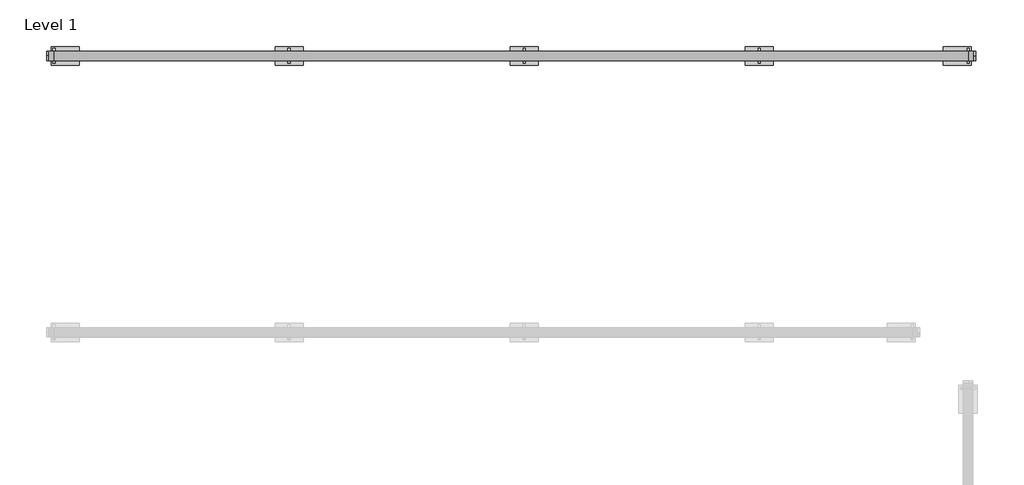
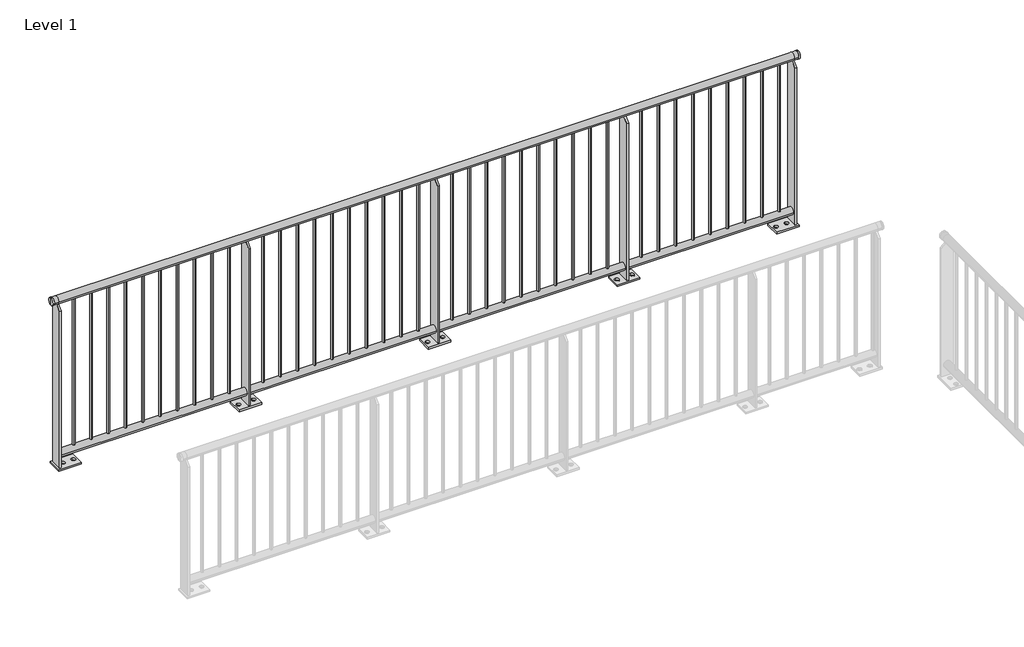
# One storey, part 3 of 20: 1 railing.
"""IFC4 building model written with IfcOpenShell, lengths in millimetres."""

import ifcopenshell
import ifcopenshell.guid

model = None  # the IFC model being written
_history = None  # IfcOwnerHistory: only IFC2X3 demands one
_inside = {}  # id of a spatial element -> (the spatial element, [elements in it])
_under = {}  # id of a project, library or spatial element -> (it, [spatial elements below it])
_declared = {}  # id of a project -> (the project, [libraries it declares])
_typed = {}  # id of a type object -> (the type object, [elements of that type])
_made_of = {}  # id of a material, layer set ... -> (it, [elements and type objects made of it])


def new_model(schema):
    """Start an empty IFC model of exactly this schema.

    Asked for "IFC4X3", IfcOpenShell would pick the latest addendum, in which some entities
    have other attributes; the version numbers below select the first issue.
    IFC2X3 requires an IfcOwnerHistory on every rooted entity: one is made here for all.
    """
    global model, _history
    if schema == "IFC4X3":
        model = ifcopenshell.file(schema_version=(4, 3, 0, 0))
    else:
        model = ifcopenshell.file(schema=schema)
    _inside.clear()
    _under.clear()
    _declared.clear()
    _typed.clear()
    _made_of.clear()
    _history = None
    if model.schema == "IFC2X3":
        org = make("IfcOrganization", Name="unknown")
        user = make(
            "IfcPersonAndOrganization",
            ThePerson=make("IfcPerson", FamilyName="unknown"),
            TheOrganization=org,
        )
        app = make(
            "IfcApplication",
            ApplicationDeveloper=org,
            Version="unknown",
            ApplicationFullName="unknown",
            ApplicationIdentifier="unknown",
        )
        _history = make(
            "IfcOwnerHistory",
            OwningUser=user,
            OwningApplication=app,
            ChangeAction="ADDED",
            CreationDate=0,
        )
    return model


def make(cls, **values):
    """One entity of the class cls with the attributes given. An attribute that is None is left unset."""
    return model.create_entity(
        cls, **{name: value for name, value in values.items() if value is not None}
    )


def rooted(cls, **values):
    """An entity with a GlobalId (a new one), such as an element, a storey or a relation."""
    return make(cls, GlobalId=ifcopenshell.guid.new(), OwnerHistory=_history, **values)


def si_unit(unit_type, name, prefix=None):
    """IfcSIUnit, for example si_unit("LENGTHUNIT", "METRE", prefix="MILLI")."""
    return make("IfcSIUnit", UnitType=unit_type, Prefix=prefix, Name=name)


def assignment(units):
    """IfcUnitAssignment: the units of a project."""
    return None if units is None else make("IfcUnitAssignment", Units=units)


def point(xyz):
    """IfcCartesianPoint."""
    return None if xyz is None else make("IfcCartesianPoint", Coordinates=xyz)


def direction(xyz):
    """IfcDirection."""
    return None if xyz is None else make("IfcDirection", DirectionRatios=xyz)


def frame(location, z_axis=None, x_axis=None):
    """IfcAxis2Placement3D, a coordinate frame: its origin and axes. An axis left out is left unset."""
    return make(
        "IfcAxis2Placement3D",
        Location=point(location),
        Axis=direction(z_axis),
        RefDirection=direction(x_axis),
    )


def frame_2d(location, x_axis=None):
    """IfcAxis2Placement2D, a coordinate frame in the plane: its origin and x axis."""
    return make(
        "IfcAxis2Placement2D", Location=point(location), RefDirection=direction(x_axis)
    )


def origin():
    """The frame at (0, 0, 0) with its axes left unset."""
    return frame((0.0, 0.0, 0.0))


def origin_with_axes():
    """The frame at (0, 0, 0) with the z axis (0, 0, 1) and the x axis (1, 0, 0) written out."""
    return frame((0.0, 0.0, 0.0), z_axis=(0.0, 0.0, 1.0), x_axis=(1.0, 0.0, 0.0))


def place(relative_to, where):
    """IfcLocalPlacement: puts the frame where relative to a parent placement (None: the world)."""
    return make(
        "IfcLocalPlacement", PlacementRelTo=relative_to, RelativePlacement=where
    )


def context(
    kind, dimensions, precision=None, world=None, true_north=None, identifier=None
):
    """IfcGeometricRepresentationContext, for example the 3D "Model" context."""
    return make(
        "IfcGeometricRepresentationContext",
        ContextIdentifier=identifier,
        ContextType=kind,
        CoordinateSpaceDimension=dimensions,
        Precision=precision,
        WorldCoordinateSystem=world,
        TrueNorth=true_north,
    )


def project(units=None, contexts=None):
    """IfcProject with its units and contexts."""
    return rooted(
        "IfcProject",
        Name="project",
        RepresentationContexts=contexts,
        UnitsInContext=assignment(units),
    )


def spatial(cls, under=None, at=None, **own):
    """A site, building, storey or space (cls), placed at a placement, below another one or the project."""
    s = rooted(cls, ObjectPlacement=at, **own)
    if under is not None:
        _under.setdefault(under.id(), (under, []))[1].append(s)
    return s


def polyline(points):
    """IfcPolyline through the points."""
    return make("IfcPolyline", Points=[point(p) for p in points])


def circle_curve(where, radius):
    """IfcCircle in the frame where."""
    return make("IfcCircle", Position=where, Radius=radius)


def trimmed(basis, trim1, trim2, sense, master):
    """IfcTrimmedCurve: the piece of a basis curve between two trims."""
    return make(
        "IfcTrimmedCurve",
        BasisCurve=basis,
        Trim1=trim1,
        Trim2=trim2,
        SenseAgreement=sense,
        MasterRepresentation=master,
    )


def segment(curve, same_sense, transition):
    """IfcCompositeCurveSegment."""
    return make(
        "IfcCompositeCurveSegment",
        Transition=transition,
        SameSense=same_sense,
        ParentCurve=curve,
    )


def composite_curve(segments, self_intersect=None):
    """IfcCompositeCurve: segments joined end to end."""
    return make("IfcCompositeCurve", Segments=segments, SelfIntersect=self_intersect)


def outline(outer, holes=None, kind="AREA"):
    """IfcArbitraryClosedProfileDef: a profile drawn as a closed curve; with holes, ...WithVoids."""
    if holes is None:
        return make("IfcArbitraryClosedProfileDef", ProfileType=kind, OuterCurve=outer)
    return make(
        "IfcArbitraryProfileDefWithVoids",
        ProfileType=kind,
        OuterCurve=outer,
        InnerCurves=holes,
    )


def extrude(swept, where, along, depth):
    """IfcExtrudedAreaSolid: the profile swept, set in the frame where, extruded along a direction by depth."""
    return make(
        "IfcExtrudedAreaSolid",
        SweptArea=swept,
        Position=where,
        ExtrudedDirection=direction(along),
        Depth=depth,
    )


def shape(context_of_items, identifier, shape_type, items):
    """IfcShapeRepresentation: the items that make up one representation, for example the "Body"."""
    return make(
        "IfcShapeRepresentation",
        ContextOfItems=context_of_items,
        RepresentationIdentifier=identifier,
        RepresentationType=shape_type,
        Items=items,
    )


def made_of(thing, what):
    """Note that an element or type object is made of a material, layer set ...; save() writes the relation."""
    if what is not None:
        _made_of.setdefault(what.id(), (what, []))[1].append(thing)
    return thing


def element(
    cls,
    number,
    at=None,
    inside=None,
    cuts=None,
    type_object=None,
    material=None,
    context=None,
    identifier="Body",
    shape_type=None,
    held_by="IfcProductDefinitionShape",
    body=None,
    shapes=None,
    **own,
):
    """One element of the class cls, such as IfcWall. Its Tag is "e" and its number.

    at: its placement. inside: the storey or other place that contains it. cuts: it is an
    opening in that element (IfcRelVoidsElement). A single representation is given by context,
    identifier, shape_type and body (its items); several are given by shapes. held_by: the class
    of the entity that holds the representations. save() writes the other relations.
    """
    e = rooted(cls, Tag="e%d" % number, ObjectPlacement=at, **own)
    if body is not None:
        shapes = [shape(context, identifier, shape_type, body)]
    if shapes is not None:
        e.Representation = make(held_by, Representations=shapes)
    if inside is not None:
        _inside.setdefault(inside.id(), (inside, []))[1].append(e)
    if cuts is not None:
        rooted(
            "IfcRelVoidsElement", RelatingBuildingElement=cuts, RelatedOpeningElement=e
        )
    if type_object is not None:
        _typed.setdefault(type_object.id(), (type_object, []))[1].append(e)
    return made_of(e, material)


def aggregate(whole, parts):
    """IfcRelAggregates: a whole, such as a stair, and the parts it consists of."""
    return rooted("IfcRelAggregates", RelatingObject=whole, RelatedObjects=parts)


def save(model, path):
    """Write the relations noted so far, then the file.

    IfcRelAggregates (storeys below a building ...), IfcRelContainedInSpatialStructure (elements
    in a storey), IfcRelDefinesByType, IfcRelAssociatesMaterial and IfcRelDeclares: one each for
    every whole, place, type object, material and project.
    """
    for whole, parts in _under.values():
        aggregate(whole, parts)
    for where, things in _inside.values():
        rooted(
            "IfcRelContainedInSpatialStructure",
            RelatedElements=things,
            RelatingStructure=where,
        )
    for kind, things in _typed.values():
        rooted("IfcRelDefinesByType", RelatedObjects=things, RelatingType=kind)
    for what, things in _made_of.values():
        rooted("IfcRelAssociatesMaterial", RelatedObjects=things, RelatingMaterial=what)
    for by, libraries in _declared.values():
        rooted("IfcRelDeclares", RelatingContext=by, RelatedDefinitions=libraries)
    model.write(path)


def plane_surface(at):
    """IfcPlane: the flat surface through the origin of the frame at, square to its z axis."""
    return make("IfcPlane", Position=at)


def cylinder_surface(at, radius):
    """IfcCylindricalSurface: all points at the distance radius from the z axis of the frame at."""
    return make("IfcCylindricalSurface", Position=at, Radius=radius)


def advanced_brep(points, edges, surfaces, faces):
    """IfcAdvancedBrep: a solid bounded by faces that lie on surfaces and meet in shared edges.

    An edge is (start, end): straight between two places in points (the first is 0);
    or (start, end, curve); or (start, end, curve, False) where it runs against its curve.
    A face is (place in surfaces, loops), or (place, loops, False) where it looks against
    its surface's normal. A loop lists edges by number (the first is 1), with a minus sign
    where the edge is run from its end to its start. The first loop is the outer one.
    """
    corners = [point(p) for p in points]
    vertices = [make("IfcVertexPoint", VertexGeometry=c) for c in corners]
    made = []
    for start, end, *more in edges:
        made.append(
            make(
                "IfcEdgeCurve",
                EdgeStart=vertices[start],
                EdgeEnd=vertices[end],
                EdgeGeometry=more[0] if more else make("IfcPolyline", Points=[corners[start], corners[end]]),
                SameSense=more[1] if len(more) > 1 else True,
            )
        )
    hull = []
    for where, loops, *sense in faces:
        bounds = []
        for j, loop in enumerate(loops):
            ring = [make("IfcOrientedEdge", EdgeElement=made[abs(k) - 1], Orientation=k > 0) for k in loop]
            bounds.append(
                make(
                    "IfcFaceOuterBound" if j == 0 else "IfcFaceBound",
                    Bound=make("IfcEdgeLoop", EdgeList=ring),
                    Orientation=True,
                )
            )
        hull.append(make("IfcAdvancedFace", Bounds=bounds, FaceSurface=surfaces[where], SameSense=sense[0] if sense else True))
    return make("IfcAdvancedBrep", Outer=make("IfcClosedShell", CfsFaces=hull))


model = new_model("IFC4")

# Units and contexts
model_context = context("Model", 3, world=origin())
ifc_project = project(units=[si_unit("LENGTHUNIT", "METRE", prefix="MILLI")], contexts=[model_context])

# Site, building, storey
site = spatial("IfcSite", under=ifc_project)
building = spatial("IfcBuilding", under=site)
storey = spatial("IfcBuildingStorey", under=building, Name="Level 1", Elevation=0.0)

# Railing
placement = place(None, origin())
element("IfcRailing", 1, at=placement, inside=storey, context=model_context, shape_type="SolidModel", body=[
    advanced_brep(
    [(7290.6479588, -11708.8795125, 1175.0), (7290.6479588, -11708.8795125, 1200.0), (7290.6479588, -11708.8795125, 1150.0), (7300.6479588, -11708.8795125, 1150.0), (7300.6479588, -11708.8795125, 1200.0), (7300.6479588, -11708.8795125, 1175.0)],
    [
        (0, 1),
        (1, 2, circle_curve(frame((7290.6479588, -11708.8795125, 1175.0), z_axis=(-1.0, 0.0, 0.0), x_axis=(0.0, 0.0, 1.0)), 25.0)),
        (2, 0),
        (2, 1, circle_curve(frame((7290.6479588, -11708.8795125, 1175.0), z_axis=(-1.0, 0.0, 0.0), x_axis=(0.0, 0.0, 1.0)), 25.0)),
        (3, 4, circle_curve(frame((7300.6479588, -11708.8795125, 1175.0), z_axis=(1.0, 0.0, 0.0), x_axis=(0.0, 0.0, 1.0)), 25.0)),
        (4, 5),
        (5, 3),
        (4, 3, circle_curve(frame((7300.6479588, -11708.8795125, 1175.0), z_axis=(1.0, 0.0, 0.0), x_axis=(0.0, 0.0, 1.0)), 25.0)),
        (1, 4),
        (3, 2),
    ],
    [
        plane_surface(frame((7290.6479588, -11708.8795125, 1175.0), z_axis=(-1.0, 0.0, 0.0), x_axis=(0.0, 0.0, 1.0))),
        plane_surface(frame((7300.6479588, -11708.8795125, 1175.0), z_axis=(1.0, 0.0, 0.0), x_axis=(0.0, 0.0, 1.0))),
        cylinder_surface(frame((7275.6479588, -11708.8795125, 1175.0), z_axis=(-1.0, 0.0, 0.0), x_axis=(0.0, 0.0, 1.0)), 25.0),
    ],
    [
        (0, [[1, 2, 3]]),
        (0, [[-3, 4, -1]]),
        (1, [[5, 6, 7]]),
        (1, [[8, -7, -6]]),
        (2, [[-2, 9, -5, 10]]),
        (2, [[-4, -10, -8, -9]]),
    ],
),
    advanced_brep(
    [(2330.6479588, -11708.8795125, 1175.0), (2330.6479588, -11708.8795125, 1200.0), (2330.6479588, -11708.8795125, 1150.0), (2320.6479588, -11708.8795125, 1150.0), (2320.6479588, -11708.8795125, 1200.0), (2320.6479588, -11708.8795125, 1175.0)],
    [
        (0, 1),
        (1, 2, circle_curve(frame((2330.6479588, -11708.8795125, 1175.0), z_axis=(1.0, 0.0, 0.0), x_axis=(0.0, 0.0, 1.0)), 25.0)),
        (2, 0),
        (2, 1, circle_curve(frame((2330.6479588, -11708.8795125, 1175.0), z_axis=(1.0, 0.0, 0.0), x_axis=(0.0, 0.0, 1.0)), 25.0)),
        (3, 4, circle_curve(frame((2320.6479588, -11708.8795125, 1175.0), z_axis=(-1.0, 0.0, 0.0), x_axis=(0.0, 0.0, 1.0)), 25.0)),
        (4, 5),
        (5, 3),
        (4, 3, circle_curve(frame((2320.6479588, -11708.8795125, 1175.0), z_axis=(-1.0, 0.0, 0.0), x_axis=(0.0, 0.0, 1.0)), 25.0)),
        (1, 4),
        (3, 2),
    ],
    [
        plane_surface(frame((2330.6479588, -11708.8795125, 1175.0), z_axis=(1.0, 0.0, 0.0), x_axis=(0.0, 0.0, 1.0))),
        plane_surface(frame((2320.6479588, -11708.8795125, 1175.0), z_axis=(-1.0, 0.0, 0.0), x_axis=(0.0, 0.0, 1.0))),
        cylinder_surface(frame((2345.6479588, -11708.8795125, 1175.0), z_axis=(1.0, 0.0, 0.0), x_axis=(0.0, 0.0, 1.0)), 25.0),
    ],
    [
        (0, [[1, 2, 3]]),
        (0, [[-3, 4, -1]]),
        (1, [[5, 6, 7]]),
        (1, [[8, -7, -6]]),
        (2, [[-2, 9, -5, 10]]),
        (2, [[-4, -10, -8, -9]]),
    ],
),
    advanced_brep(
    [(2360.6479588, -11683.8795125, 1175.0), (2360.6479588, -11733.8795125, 1175.0), (7260.6479588, -11733.8795125, 1175.0), (7260.6479588, -11683.8795125, 1175.0), (2330.6479588, -11733.8795125, 1175.0), (2330.6479588, -11683.8795125, 1175.0), (7290.6479588, -11733.8795125, 1175.0), (7290.6479588, -11683.8795125, 1175.0)],
    [
        (0, 1, circle_curve(frame((2360.6479588, -11708.8795125, 1175.0), z_axis=(1.0, 0.0, 0.0), x_axis=(0.0, 1.0, 0.0)), 25.0)),
        (1, 2),
        (2, 3, circle_curve(frame((7260.6479588, -11708.8795125, 1175.0), z_axis=(-1.0, 0.0, 0.0), x_axis=(0.0, 1.0, 0.0)), 25.0)),
        (3, 0),
        (1, 0, circle_curve(frame((2360.6479588, -11708.8795125, 1175.0), z_axis=(1.0, 0.0, 0.0), x_axis=(0.0, 1.0, 0.0)), 25.0)),
        (3, 2, circle_curve(frame((7260.6479588, -11708.8795125, 1175.0), z_axis=(-1.0, 0.0, 0.0), x_axis=(0.0, 1.0, 0.0)), 25.0)),
        (4, 5, circle_curve(frame((2330.6479588, -11708.8795125, 1175.0), z_axis=(-1.0, 0.0, 0.0), x_axis=(0.0, 1.0, 0.0)), 25.0)),
        (5, 4, circle_curve(frame((2330.6479588, -11708.8795125, 1175.0), z_axis=(-1.0, 0.0, 0.0), x_axis=(0.0, 1.0, 0.0)), 25.0)),
        (4, 1),
        (0, 5),
        (6, 7, circle_curve(frame((7290.6479588, -11708.8795125, 1175.0), z_axis=(1.0, 0.0, 0.0), x_axis=(0.0, 1.0, 0.0)), 25.0)),
        (7, 6, circle_curve(frame((7290.6479588, -11708.8795125, 1175.0), z_axis=(1.0, 0.0, 0.0), x_axis=(0.0, 1.0, 0.0)), 25.0)),
        (2, 6),
        (7, 3),
    ],
    [
        cylinder_surface(frame((2360.6479588, -11708.8795125, 1175.0), z_axis=(-1.0, 0.0, 0.0), x_axis=(0.0, 1.0, 0.0)), 25.0),
        plane_surface(frame((2330.6479588, -11708.8795125, 1200.0), z_axis=(-1.0, 0.0, 0.0), x_axis=(0.0, 1.0, 0.0))),
        cylinder_surface(frame((2330.6479588, -11708.8795125, 1175.0), z_axis=(-1.0, 0.0, 0.0), x_axis=(0.0, 1.0, 0.0)), 25.0),
        plane_surface(frame((7290.6479588, -11708.8795125, 1200.0), z_axis=(1.0, 0.0, 0.0), x_axis=(0.0, 1.0, 0.0))),
        cylinder_surface(frame((7260.6479588, -11708.8795125, 1175.0), z_axis=(-1.0, 0.0, 0.0), x_axis=(0.0, 1.0, 0.0)), 25.0),
    ],
    [
        (0, [[1, 2, 3, 4]]),
        (0, [[5, -4, 6, -2]]),
        (1, [[7, 8]]),
        (2, [[-7, 9, -1, 10]]),
        (2, [[-8, -10, -5, -9]]),
        (3, [[11, 12]]),
        (4, [[-3, 13, -12, 14]]),
        (4, [[-6, -14, -11, -13]]),
    ],
),
    extrude(outline(composite_curve([segment(trimmed(circle_curve(frame_2d((-11708.8795125, 90.0)), 25.0), [point((-11683.8795125, 90.0))], [point((-11733.8795125, 90.0))], False, "CARTESIAN"), True, "CONTINUOUS"), segment(trimmed(circle_curve(frame_2d((-11708.8795125, 90.0)), 25.0), [point((-11733.8795125, 90.0))], [point((-11683.8795125, 90.0))], False, "CARTESIAN"), True, "CONTINUOUS")], self_intersect=False)), frame((2360.6479588, 0.0, 0.0), z_axis=(1.0, 0.0, 0.0), x_axis=(0.0, 1.0, 0.0)), (0.0, 0.0, 1.0), 4900.0),
    extrude(outline(composite_curve([segment(trimmed(circle_curve(frame_2d((7173.1479588, -11708.8795125)), 7.5), [point((7173.1479588, -11701.3795125))], [point((7173.1479588, -11716.3795125))], False, "CARTESIAN"), True, "CONTINUOUS"), segment(trimmed(circle_curve(frame_2d((7173.1479588, -11708.8795125)), 7.5), [point((7173.1479588, -11716.3795125))], [point((7173.1479588, -11701.3795125))], False, "CARTESIAN"), True, "CONTINUOUS")], self_intersect=False)), frame((0.0, 0.0, 115.0), z_axis=(0.0, 0.0, 1.0), x_axis=(1.0, 0.0, 0.0)), (0.0, 0.0, 1.0), 1035.0),
    extrude(outline(composite_curve([segment(trimmed(circle_curve(frame_2d((7058.1479588, -11708.8795125)), 7.5), [point((7058.1479588, -11701.3795125))], [point((7058.1479588, -11716.3795125))], False, "CARTESIAN"), True, "CONTINUOUS"), segment(trimmed(circle_curve(frame_2d((7058.1479588, -11708.8795125)), 7.5), [point((7058.1479588, -11716.3795125))], [point((7058.1479588, -11701.3795125))], False, "CARTESIAN"), True, "CONTINUOUS")], self_intersect=False)), frame((0.0, 0.0, 115.0), z_axis=(0.0, 0.0, 1.0), x_axis=(1.0, 0.0, 0.0)), (0.0, 0.0, 1.0), 1035.0),
    extrude(outline(composite_curve([segment(trimmed(circle_curve(frame_2d((6943.1479588, -11708.8795125)), 7.5), [point((6943.1479588, -11701.3795125))], [point((6943.1479588, -11716.3795125))], False, "CARTESIAN"), True, "CONTINUOUS"), segment(trimmed(circle_curve(frame_2d((6943.1479588, -11708.8795125)), 7.5), [point((6943.1479588, -11716.3795125))], [point((6943.1479588, -11701.3795125))], False, "CARTESIAN"), True, "CONTINUOUS")], self_intersect=False)), frame((0.0, 0.0, 115.0), z_axis=(0.0, 0.0, 1.0), x_axis=(1.0, 0.0, 0.0)), (0.0, 0.0, 1.0), 1035.0),
    extrude(outline(composite_curve([segment(trimmed(circle_curve(frame_2d((6828.1479588, -11708.8795125)), 7.5), [point((6828.1479588, -11701.3795125))], [point((6828.1479588, -11716.3795125))], False, "CARTESIAN"), True, "CONTINUOUS"), segment(trimmed(circle_curve(frame_2d((6828.1479588, -11708.8795125)), 7.5), [point((6828.1479588, -11716.3795125))], [point((6828.1479588, -11701.3795125))], False, "CARTESIAN"), True, "CONTINUOUS")], self_intersect=False)), frame((0.0, 0.0, 115.0), z_axis=(0.0, 0.0, 1.0), x_axis=(1.0, 0.0, 0.0)), (0.0, 0.0, 1.0), 1035.0),
    extrude(outline(composite_curve([segment(trimmed(circle_curve(frame_2d((6713.1479588, -11708.8795125)), 7.5), [point((6713.1479588, -11701.3795125))], [point((6713.1479588, -11716.3795125))], False, "CARTESIAN"), True, "CONTINUOUS"), segment(trimmed(circle_curve(frame_2d((6713.1479588, -11708.8795125)), 7.5), [point((6713.1479588, -11716.3795125))], [point((6713.1479588, -11701.3795125))], False, "CARTESIAN"), True, "CONTINUOUS")], self_intersect=False)), frame((0.0, 0.0, 115.0), z_axis=(0.0, 0.0, 1.0), x_axis=(1.0, 0.0, 0.0)), (0.0, 0.0, 1.0), 1035.0),
    extrude(outline(composite_curve([segment(trimmed(circle_curve(frame_2d((6598.1479588, -11708.8795125)), 7.5), [point((6598.1479588, -11701.3795125))], [point((6598.1479588, -11716.3795125))], False, "CARTESIAN"), True, "CONTINUOUS"), segment(trimmed(circle_curve(frame_2d((6598.1479588, -11708.8795125)), 7.5), [point((6598.1479588, -11716.3795125))], [point((6598.1479588, -11701.3795125))], False, "CARTESIAN"), True, "CONTINUOUS")], self_intersect=False)), frame((0.0, 0.0, 115.0), z_axis=(0.0, 0.0, 1.0), x_axis=(1.0, 0.0, 0.0)), (0.0, 0.0, 1.0), 1035.0),
    extrude(outline(composite_curve([segment(trimmed(circle_curve(frame_2d((6483.1479588, -11708.8795125)), 7.5), [point((6483.1479588, -11701.3795125))], [point((6483.1479588, -11716.3795125))], False, "CARTESIAN"), True, "CONTINUOUS"), segment(trimmed(circle_curve(frame_2d((6483.1479588, -11708.8795125)), 7.5), [point((6483.1479588, -11716.3795125))], [point((6483.1479588, -11701.3795125))], False, "CARTESIAN"), True, "CONTINUOUS")], self_intersect=False)), frame((0.0, 0.0, 115.0), z_axis=(0.0, 0.0, 1.0), x_axis=(1.0, 0.0, 0.0)), (0.0, 0.0, 1.0), 1035.0),
    extrude(outline(composite_curve([segment(trimmed(circle_curve(frame_2d((6368.1479588, -11708.8795125)), 7.5), [point((6368.1479588, -11701.3795125))], [point((6368.1479588, -11716.3795125))], False, "CARTESIAN"), True, "CONTINUOUS"), segment(trimmed(circle_curve(frame_2d((6368.1479588, -11708.8795125)), 7.5), [point((6368.1479588, -11716.3795125))], [point((6368.1479588, -11701.3795125))], False, "CARTESIAN"), True, "CONTINUOUS")], self_intersect=False)), frame((0.0, 0.0, 115.0), z_axis=(0.0, 0.0, 1.0), x_axis=(1.0, 0.0, 0.0)), (0.0, 0.0, 1.0), 1035.0),
    extrude(outline(composite_curve([segment(trimmed(circle_curve(frame_2d((6253.1479588, -11708.8795125)), 7.5), [point((6253.1479588, -11701.3795125))], [point((6253.1479588, -11716.3795125))], False, "CARTESIAN"), True, "CONTINUOUS"), segment(trimmed(circle_curve(frame_2d((6253.1479588, -11708.8795125)), 7.5), [point((6253.1479588, -11716.3795125))], [point((6253.1479588, -11701.3795125))], False, "CARTESIAN"), True, "CONTINUOUS")], self_intersect=False)), frame((0.0, 0.0, 115.0), z_axis=(0.0, 0.0, 1.0), x_axis=(1.0, 0.0, 0.0)), (0.0, 0.0, 1.0), 1035.0),
    extrude(outline(polyline([(-11668.8795125, 12.0), (-11748.8795125, 12.0), (-11748.8795125, 1117.5), (-11716.3795125, 1150.0), (-11701.3795125, 1150.0), (-11668.8795125, 1117.5), (-11668.8795125, 12.0)])), frame((6134.6479588, 0.0, 0.0), z_axis=(1.0, 0.0, 0.0), x_axis=(0.0, 1.0, 0.0)), (0.0, 0.0, 1.0), 12.0),
    extrude(outline(polyline([(6065.6479588, -11658.8795125), (6215.6479588, -11658.8795125), (6215.6479588, -11758.8795125), (6065.6479588, -11758.8795125), (6065.6479588, -11658.8795125)]), holes=[composite_curve([segment(trimmed(circle_curve(frame_2d((6090.6479588, -11708.8795125)), 13.5), [point((6090.6479588, -11722.3795125))], [point((6090.6479588, -11695.3795125))], True, "CARTESIAN"), True, "CONTINUOUS"), segment(trimmed(circle_curve(frame_2d((6090.6479588, -11708.8795125)), 13.5), [point((6090.6479588, -11695.3795125))], [point((6090.6479588, -11722.3795125))], True, "CARTESIAN"), True, "CONTINUOUS")], self_intersect=False), composite_curve([segment(trimmed(circle_curve(frame_2d((6190.6479588, -11708.8795125)), 13.5), [point((6190.6479588, -11722.3795125))], [point((6190.6479588, -11695.3795125))], True, "CARTESIAN"), True, "CONTINUOUS"), segment(trimmed(circle_curve(frame_2d((6190.6479588, -11708.8795125)), 13.5), [point((6190.6479588, -11695.3795125))], [point((6190.6479588, -11722.3795125))], True, "CARTESIAN"), True, "CONTINUOUS")], self_intersect=False)]), origin_with_axes(), (0.0, 0.0, 1.0), 12.0),
    extrude(outline(composite_curve([segment(trimmed(circle_curve(frame_2d((6028.1479588, -11708.8795125)), 7.5), [point((6028.1479588, -11701.3795125))], [point((6028.1479588, -11716.3795125))], False, "CARTESIAN"), True, "CONTINUOUS"), segment(trimmed(circle_curve(frame_2d((6028.1479588, -11708.8795125)), 7.5), [point((6028.1479588, -11716.3795125))], [point((6028.1479588, -11701.3795125))], False, "CARTESIAN"), True, "CONTINUOUS")], self_intersect=False)), frame((0.0, 0.0, 115.0), z_axis=(0.0, 0.0, 1.0), x_axis=(1.0, 0.0, 0.0)), (0.0, 0.0, 1.0), 1035.0),
    extrude(outline(composite_curve([segment(trimmed(circle_curve(frame_2d((5913.1479588, -11708.8795125)), 7.5), [point((5913.1479588, -11701.3795125))], [point((5913.1479588, -11716.3795125))], False, "CARTESIAN"), True, "CONTINUOUS"), segment(trimmed(circle_curve(frame_2d((5913.1479588, -11708.8795125)), 7.5), [point((5913.1479588, -11716.3795125))], [point((5913.1479588, -11701.3795125))], False, "CARTESIAN"), True, "CONTINUOUS")], self_intersect=False)), frame((0.0, 0.0, 115.0), z_axis=(0.0, 0.0, 1.0), x_axis=(1.0, 0.0, 0.0)), (0.0, 0.0, 1.0), 1035.0),
    extrude(outline(composite_curve([segment(trimmed(circle_curve(frame_2d((5798.1479588, -11708.8795125)), 7.5), [point((5798.1479588, -11701.3795125))], [point((5798.1479588, -11716.3795125))], False, "CARTESIAN"), True, "CONTINUOUS"), segment(trimmed(circle_curve(frame_2d((5798.1479588, -11708.8795125)), 7.5), [point((5798.1479588, -11716.3795125))], [point((5798.1479588, -11701.3795125))], False, "CARTESIAN"), True, "CONTINUOUS")], self_intersect=False)), frame((0.0, 0.0, 115.0), z_axis=(0.0, 0.0, 1.0), x_axis=(1.0, 0.0, 0.0)), (0.0, 0.0, 1.0), 1035.0),
    extrude(outline(composite_curve([segment(trimmed(circle_curve(frame_2d((5683.1479588, -11708.8795125)), 7.5), [point((5683.1479588, -11701.3795125))], [point((5683.1479588, -11716.3795125))], False, "CARTESIAN"), True, "CONTINUOUS"), segment(trimmed(circle_curve(frame_2d((5683.1479588, -11708.8795125)), 7.5), [point((5683.1479588, -11716.3795125))], [point((5683.1479588, -11701.3795125))], False, "CARTESIAN"), True, "CONTINUOUS")], self_intersect=False)), frame((0.0, 0.0, 115.0), z_axis=(0.0, 0.0, 1.0), x_axis=(1.0, 0.0, 0.0)), (0.0, 0.0, 1.0), 1035.0),
    extrude(outline(composite_curve([segment(trimmed(circle_curve(frame_2d((5568.1479588, -11708.8795125)), 7.5), [point((5568.1479588, -11701.3795125))], [point((5568.1479588, -11716.3795125))], False, "CARTESIAN"), True, "CONTINUOUS"), segment(trimmed(circle_curve(frame_2d((5568.1479588, -11708.8795125)), 7.5), [point((5568.1479588, -11716.3795125))], [point((5568.1479588, -11701.3795125))], False, "CARTESIAN"), True, "CONTINUOUS")], self_intersect=False)), frame((0.0, 0.0, 115.0), z_axis=(0.0, 0.0, 1.0), x_axis=(1.0, 0.0, 0.0)), (0.0, 0.0, 1.0), 1035.0),
    extrude(outline(composite_curve([segment(trimmed(circle_curve(frame_2d((5453.1479588, -11708.8795125)), 7.5), [point((5453.1479588, -11701.3795125))], [point((5453.1479588, -11716.3795125))], False, "CARTESIAN"), True, "CONTINUOUS"), segment(trimmed(circle_curve(frame_2d((5453.1479588, -11708.8795125)), 7.5), [point((5453.1479588, -11716.3795125))], [point((5453.1479588, -11701.3795125))], False, "CARTESIAN"), True, "CONTINUOUS")], self_intersect=False)), frame((0.0, 0.0, 115.0), z_axis=(0.0, 0.0, 1.0), x_axis=(1.0, 0.0, 0.0)), (0.0, 0.0, 1.0), 1035.0),
    extrude(outline(composite_curve([segment(trimmed(circle_curve(frame_2d((5338.1479588, -11708.8795125)), 7.5), [point((5338.1479588, -11701.3795125))], [point((5338.1479588, -11716.3795125))], False, "CARTESIAN"), True, "CONTINUOUS"), segment(trimmed(circle_curve(frame_2d((5338.1479588, -11708.8795125)), 7.5), [point((5338.1479588, -11716.3795125))], [point((5338.1479588, -11701.3795125))], False, "CARTESIAN"), True, "CONTINUOUS")], self_intersect=False)), frame((0.0, 0.0, 115.0), z_axis=(0.0, 0.0, 1.0), x_axis=(1.0, 0.0, 0.0)), (0.0, 0.0, 1.0), 1035.0),
    extrude(outline(composite_curve([segment(trimmed(circle_curve(frame_2d((5223.1479588, -11708.8795125)), 7.5), [point((5223.1479588, -11701.3795125))], [point((5223.1479588, -11716.3795125))], False, "CARTESIAN"), True, "CONTINUOUS"), segment(trimmed(circle_curve(frame_2d((5223.1479588, -11708.8795125)), 7.5), [point((5223.1479588, -11716.3795125))], [point((5223.1479588, -11701.3795125))], False, "CARTESIAN"), True, "CONTINUOUS")], self_intersect=False)), frame((0.0, 0.0, 115.0), z_axis=(0.0, 0.0, 1.0), x_axis=(1.0, 0.0, 0.0)), (0.0, 0.0, 1.0), 1035.0),
    extrude(outline(composite_curve([segment(trimmed(circle_curve(frame_2d((5108.1479588, -11708.8795125)), 7.5), [point((5108.1479588, -11701.3795125))], [point((5108.1479588, -11716.3795125))], False, "CARTESIAN"), True, "CONTINUOUS"), segment(trimmed(circle_curve(frame_2d((5108.1479588, -11708.8795125)), 7.5), [point((5108.1479588, -11716.3795125))], [point((5108.1479588, -11701.3795125))], False, "CARTESIAN"), True, "CONTINUOUS")], self_intersect=False)), frame((0.0, 0.0, 115.0), z_axis=(0.0, 0.0, 1.0), x_axis=(1.0, 0.0, 0.0)), (0.0, 0.0, 1.0), 1035.0),
    extrude(outline(composite_curve([segment(trimmed(circle_curve(frame_2d((4993.1479588, -11708.8795125)), 7.5), [point((4993.1479588, -11701.3795125))], [point((4993.1479588, -11716.3795125))], False, "CARTESIAN"), True, "CONTINUOUS"), segment(trimmed(circle_curve(frame_2d((4993.1479588, -11708.8795125)), 7.5), [point((4993.1479588, -11716.3795125))], [point((4993.1479588, -11701.3795125))], False, "CARTESIAN"), True, "CONTINUOUS")], self_intersect=False)), frame((0.0, 0.0, 115.0), z_axis=(0.0, 0.0, 1.0), x_axis=(1.0, 0.0, 0.0)), (0.0, 0.0, 1.0), 1035.0),
    extrude(outline(polyline([(-11668.8795125, 12.0), (-11748.8795125, 12.0), (-11748.8795125, 1117.5), (-11716.3795125, 1150.0), (-11701.3795125, 1150.0), (-11668.8795125, 1117.5), (-11668.8795125, 12.0)])), frame((4874.6479588, 0.0, 0.0), z_axis=(1.0, 0.0, 0.0), x_axis=(0.0, 1.0, 0.0)), (0.0, 0.0, 1.0), 12.0),
    extrude(outline(polyline([(4805.6479588, -11658.8795125), (4955.6479588, -11658.8795125), (4955.6479588, -11758.8795125), (4805.6479588, -11758.8795125), (4805.6479588, -11658.8795125)]), holes=[composite_curve([segment(trimmed(circle_curve(frame_2d((4830.6479588, -11708.8795125)), 13.5), [point((4830.6479588, -11722.3795125))], [point((4830.6479588, -11695.3795125))], True, "CARTESIAN"), True, "CONTINUOUS"), segment(trimmed(circle_curve(frame_2d((4830.6479588, -11708.8795125)), 13.5), [point((4830.6479588, -11695.3795125))], [point((4830.6479588, -11722.3795125))], True, "CARTESIAN"), True, "CONTINUOUS")], self_intersect=False), composite_curve([segment(trimmed(circle_curve(frame_2d((4930.6479588, -11708.8795125)), 13.5), [point((4930.6479588, -11722.3795125))], [point((4930.6479588, -11695.3795125))], True, "CARTESIAN"), True, "CONTINUOUS"), segment(trimmed(circle_curve(frame_2d((4930.6479588, -11708.8795125)), 13.5), [point((4930.6479588, -11695.3795125))], [point((4930.6479588, -11722.3795125))], True, "CARTESIAN"), True, "CONTINUOUS")], self_intersect=False)]), origin_with_axes(), (0.0, 0.0, 1.0), 12.0),
    extrude(outline(composite_curve([segment(trimmed(circle_curve(frame_2d((4768.1479588, -11708.8795125)), 7.5), [point((4768.1479588, -11701.3795125))], [point((4768.1479588, -11716.3795125))], False, "CARTESIAN"), True, "CONTINUOUS"), segment(trimmed(circle_curve(frame_2d((4768.1479588, -11708.8795125)), 7.5), [point((4768.1479588, -11716.3795125))], [point((4768.1479588, -11701.3795125))], False, "CARTESIAN"), True, "CONTINUOUS")], self_intersect=False)), frame((0.0, 0.0, 115.0), z_axis=(0.0, 0.0, 1.0), x_axis=(1.0, 0.0, 0.0)), (0.0, 0.0, 1.0), 1035.0),
    extrude(outline(composite_curve([segment(trimmed(circle_curve(frame_2d((4653.1479588, -11708.8795125)), 7.5), [point((4653.1479588, -11701.3795125))], [point((4653.1479588, -11716.3795125))], False, "CARTESIAN"), True, "CONTINUOUS"), segment(trimmed(circle_curve(frame_2d((4653.1479588, -11708.8795125)), 7.5), [point((4653.1479588, -11716.3795125))], [point((4653.1479588, -11701.3795125))], False, "CARTESIAN"), True, "CONTINUOUS")], self_intersect=False)), frame((0.0, 0.0, 115.0), z_axis=(0.0, 0.0, 1.0), x_axis=(1.0, 0.0, 0.0)), (0.0, 0.0, 1.0), 1035.0),
    extrude(outline(composite_curve([segment(trimmed(circle_curve(frame_2d((4538.1479588, -11708.8795125)), 7.5), [point((4538.1479588, -11701.3795125))], [point((4538.1479588, -11716.3795125))], False, "CARTESIAN"), True, "CONTINUOUS"), segment(trimmed(circle_curve(frame_2d((4538.1479588, -11708.8795125)), 7.5), [point((4538.1479588, -11716.3795125))], [point((4538.1479588, -11701.3795125))], False, "CARTESIAN"), True, "CONTINUOUS")], self_intersect=False)), frame((0.0, 0.0, 115.0), z_axis=(0.0, 0.0, 1.0), x_axis=(1.0, 0.0, 0.0)), (0.0, 0.0, 1.0), 1035.0),
    extrude(outline(composite_curve([segment(trimmed(circle_curve(frame_2d((4423.1479588, -11708.8795125)), 7.5), [point((4423.1479588, -11701.3795125))], [point((4423.1479588, -11716.3795125))], False, "CARTESIAN"), True, "CONTINUOUS"), segment(trimmed(circle_curve(frame_2d((4423.1479588, -11708.8795125)), 7.5), [point((4423.1479588, -11716.3795125))], [point((4423.1479588, -11701.3795125))], False, "CARTESIAN"), True, "CONTINUOUS")], self_intersect=False)), frame((0.0, 0.0, 115.0), z_axis=(0.0, 0.0, 1.0), x_axis=(1.0, 0.0, 0.0)), (0.0, 0.0, 1.0), 1035.0),
    extrude(outline(composite_curve([segment(trimmed(circle_curve(frame_2d((4308.1479588, -11708.8795125)), 7.5), [point((4308.1479588, -11701.3795125))], [point((4308.1479588, -11716.3795125))], False, "CARTESIAN"), True, "CONTINUOUS"), segment(trimmed(circle_curve(frame_2d((4308.1479588, -11708.8795125)), 7.5), [point((4308.1479588, -11716.3795125))], [point((4308.1479588, -11701.3795125))], False, "CARTESIAN"), True, "CONTINUOUS")], self_intersect=False)), frame((0.0, 0.0, 115.0), z_axis=(0.0, 0.0, 1.0), x_axis=(1.0, 0.0, 0.0)), (0.0, 0.0, 1.0), 1035.0),
    extrude(outline(composite_curve([segment(trimmed(circle_curve(frame_2d((4193.1479588, -11708.8795125)), 7.5), [point((4193.1479588, -11701.3795125))], [point((4193.1479588, -11716.3795125))], False, "CARTESIAN"), True, "CONTINUOUS"), segment(trimmed(circle_curve(frame_2d((4193.1479588, -11708.8795125)), 7.5), [point((4193.1479588, -11716.3795125))], [point((4193.1479588, -11701.3795125))], False, "CARTESIAN"), True, "CONTINUOUS")], self_intersect=False)), frame((0.0, 0.0, 115.0), z_axis=(0.0, 0.0, 1.0), x_axis=(1.0, 0.0, 0.0)), (0.0, 0.0, 1.0), 1035.0),
    extrude(outline(composite_curve([segment(trimmed(circle_curve(frame_2d((4078.1479588, -11708.8795125)), 7.5), [point((4078.1479588, -11701.3795125))], [point((4078.1479588, -11716.3795125))], False, "CARTESIAN"), True, "CONTINUOUS"), segment(trimmed(circle_curve(frame_2d((4078.1479588, -11708.8795125)), 7.5), [point((4078.1479588, -11716.3795125))], [point((4078.1479588, -11701.3795125))], False, "CARTESIAN"), True, "CONTINUOUS")], self_intersect=False)), frame((0.0, 0.0, 115.0), z_axis=(0.0, 0.0, 1.0), x_axis=(1.0, 0.0, 0.0)), (0.0, 0.0, 1.0), 1035.0),
    extrude(outline(composite_curve([segment(trimmed(circle_curve(frame_2d((3963.1479588, -11708.8795125)), 7.5), [point((3963.1479588, -11701.3795125))], [point((3963.1479588, -11716.3795125))], False, "CARTESIAN"), True, "CONTINUOUS"), segment(trimmed(circle_curve(frame_2d((3963.1479588, -11708.8795125)), 7.5), [point((3963.1479588, -11716.3795125))], [point((3963.1479588, -11701.3795125))], False, "CARTESIAN"), True, "CONTINUOUS")], self_intersect=False)), frame((0.0, 0.0, 115.0), z_axis=(0.0, 0.0, 1.0), x_axis=(1.0, 0.0, 0.0)), (0.0, 0.0, 1.0), 1035.0),
    extrude(outline(composite_curve([segment(trimmed(circle_curve(frame_2d((3848.1479588, -11708.8795125)), 7.5), [point((3848.1479588, -11701.3795125))], [point((3848.1479588, -11716.3795125))], False, "CARTESIAN"), True, "CONTINUOUS"), segment(trimmed(circle_curve(frame_2d((3848.1479588, -11708.8795125)), 7.5), [point((3848.1479588, -11716.3795125))], [point((3848.1479588, -11701.3795125))], False, "CARTESIAN"), True, "CONTINUOUS")], self_intersect=False)), frame((0.0, 0.0, 115.0), z_axis=(0.0, 0.0, 1.0), x_axis=(1.0, 0.0, 0.0)), (0.0, 0.0, 1.0), 1035.0),
    extrude(outline(composite_curve([segment(trimmed(circle_curve(frame_2d((3733.1479588, -11708.8795125)), 7.5), [point((3733.1479588, -11701.3795125))], [point((3733.1479588, -11716.3795125))], False, "CARTESIAN"), True, "CONTINUOUS"), segment(trimmed(circle_curve(frame_2d((3733.1479588, -11708.8795125)), 7.5), [point((3733.1479588, -11716.3795125))], [point((3733.1479588, -11701.3795125))], False, "CARTESIAN"), True, "CONTINUOUS")], self_intersect=False)), frame((0.0, 0.0, 115.0), z_axis=(0.0, 0.0, 1.0), x_axis=(1.0, 0.0, 0.0)), (0.0, 0.0, 1.0), 1035.0),
    extrude(outline(polyline([(-11668.8795125, 12.0), (-11748.8795125, 12.0), (-11748.8795125, 1117.5), (-11716.3795125, 1150.0), (-11701.3795125, 1150.0), (-11668.8795125, 1117.5), (-11668.8795125, 12.0)])), frame((3614.6479588, 0.0, 0.0), z_axis=(1.0, 0.0, 0.0), x_axis=(0.0, 1.0, 0.0)), (0.0, 0.0, 1.0), 12.0),
    extrude(outline(polyline([(3545.6479588, -11658.8795125), (3695.6479588, -11658.8795125), (3695.6479588, -11758.8795125), (3545.6479588, -11758.8795125), (3545.6479588, -11658.8795125)]), holes=[composite_curve([segment(trimmed(circle_curve(frame_2d((3570.6479588, -11708.8795125)), 13.5), [point((3570.6479588, -11722.3795125))], [point((3570.6479588, -11695.3795125))], True, "CARTESIAN"), True, "CONTINUOUS"), segment(trimmed(circle_curve(frame_2d((3570.6479588, -11708.8795125)), 13.5), [point((3570.6479588, -11695.3795125))], [point((3570.6479588, -11722.3795125))], True, "CARTESIAN"), True, "CONTINUOUS")], self_intersect=False), composite_curve([segment(trimmed(circle_curve(frame_2d((3670.6479588, -11708.8795125)), 13.5), [point((3670.6479588, -11722.3795125))], [point((3670.6479588, -11695.3795125))], True, "CARTESIAN"), True, "CONTINUOUS"), segment(trimmed(circle_curve(frame_2d((3670.6479588, -11708.8795125)), 13.5), [point((3670.6479588, -11695.3795125))], [point((3670.6479588, -11722.3795125))], True, "CARTESIAN"), True, "CONTINUOUS")], self_intersect=False)]), origin_with_axes(), (0.0, 0.0, 1.0), 12.0),
    extrude(outline(composite_curve([segment(trimmed(circle_curve(frame_2d((3508.1479588, -11708.8795125)), 7.5), [point((3508.1479588, -11701.3795125))], [point((3508.1479588, -11716.3795125))], False, "CARTESIAN"), True, "CONTINUOUS"), segment(trimmed(circle_curve(frame_2d((3508.1479588, -11708.8795125)), 7.5), [point((3508.1479588, -11716.3795125))], [point((3508.1479588, -11701.3795125))], False, "CARTESIAN"), True, "CONTINUOUS")], self_intersect=False)), frame((0.0, 0.0, 115.0), z_axis=(0.0, 0.0, 1.0), x_axis=(1.0, 0.0, 0.0)), (0.0, 0.0, 1.0), 1035.0),
    extrude(outline(composite_curve([segment(trimmed(circle_curve(frame_2d((3393.1479588, -11708.8795125)), 7.5), [point((3393.1479588, -11701.3795125))], [point((3393.1479588, -11716.3795125))], False, "CARTESIAN"), True, "CONTINUOUS"), segment(trimmed(circle_curve(frame_2d((3393.1479588, -11708.8795125)), 7.5), [point((3393.1479588, -11716.3795125))], [point((3393.1479588, -11701.3795125))], False, "CARTESIAN"), True, "CONTINUOUS")], self_intersect=False)), frame((0.0, 0.0, 115.0), z_axis=(0.0, 0.0, 1.0), x_axis=(1.0, 0.0, 0.0)), (0.0, 0.0, 1.0), 1035.0),
    extrude(outline(composite_curve([segment(trimmed(circle_curve(frame_2d((3278.1479588, -11708.8795125)), 7.5), [point((3278.1479588, -11701.3795125))], [point((3278.1479588, -11716.3795125))], False, "CARTESIAN"), True, "CONTINUOUS"), segment(trimmed(circle_curve(frame_2d((3278.1479588, -11708.8795125)), 7.5), [point((3278.1479588, -11716.3795125))], [point((3278.1479588, -11701.3795125))], False, "CARTESIAN"), True, "CONTINUOUS")], self_intersect=False)), frame((0.0, 0.0, 115.0), z_axis=(0.0, 0.0, 1.0), x_axis=(1.0, 0.0, 0.0)), (0.0, 0.0, 1.0), 1035.0),
    extrude(outline(composite_curve([segment(trimmed(circle_curve(frame_2d((3163.1479588, -11708.8795125)), 7.5), [point((3163.1479588, -11701.3795125))], [point((3163.1479588, -11716.3795125))], False, "CARTESIAN"), True, "CONTINUOUS"), segment(trimmed(circle_curve(frame_2d((3163.1479588, -11708.8795125)), 7.5), [point((3163.1479588, -11716.3795125))], [point((3163.1479588, -11701.3795125))], False, "CARTESIAN"), True, "CONTINUOUS")], self_intersect=False)), frame((0.0, 0.0, 115.0), z_axis=(0.0, 0.0, 1.0), x_axis=(1.0, 0.0, 0.0)), (0.0, 0.0, 1.0), 1035.0),
    extrude(outline(composite_curve([segment(trimmed(circle_curve(frame_2d((3048.1479588, -11708.8795125)), 7.5), [point((3048.1479588, -11701.3795125))], [point((3048.1479588, -11716.3795125))], False, "CARTESIAN"), True, "CONTINUOUS"), segment(trimmed(circle_curve(frame_2d((3048.1479588, -11708.8795125)), 7.5), [point((3048.1479588, -11716.3795125))], [point((3048.1479588, -11701.3795125))], False, "CARTESIAN"), True, "CONTINUOUS")], self_intersect=False)), frame((0.0, 0.0, 115.0), z_axis=(0.0, 0.0, 1.0), x_axis=(1.0, 0.0, 0.0)), (0.0, 0.0, 1.0), 1035.0),
    extrude(outline(composite_curve([segment(trimmed(circle_curve(frame_2d((2933.1479588, -11708.8795125)), 7.5), [point((2933.1479588, -11701.3795125))], [point((2933.1479588, -11716.3795125))], False, "CARTESIAN"), True, "CONTINUOUS"), segment(trimmed(circle_curve(frame_2d((2933.1479588, -11708.8795125)), 7.5), [point((2933.1479588, -11716.3795125))], [point((2933.1479588, -11701.3795125))], False, "CARTESIAN"), True, "CONTINUOUS")], self_intersect=False)), frame((0.0, 0.0, 115.0), z_axis=(0.0, 0.0, 1.0), x_axis=(1.0, 0.0, 0.0)), (0.0, 0.0, 1.0), 1035.0),
    extrude(outline(composite_curve([segment(trimmed(circle_curve(frame_2d((2818.1479588, -11708.8795125)), 7.5), [point((2818.1479588, -11701.3795125))], [point((2818.1479588, -11716.3795125))], False, "CARTESIAN"), True, "CONTINUOUS"), segment(trimmed(circle_curve(frame_2d((2818.1479588, -11708.8795125)), 7.5), [point((2818.1479588, -11716.3795125))], [point((2818.1479588, -11701.3795125))], False, "CARTESIAN"), True, "CONTINUOUS")], self_intersect=False)), frame((0.0, 0.0, 115.0), z_axis=(0.0, 0.0, 1.0), x_axis=(1.0, 0.0, 0.0)), (0.0, 0.0, 1.0), 1035.0),
    extrude(outline(composite_curve([segment(trimmed(circle_curve(frame_2d((2703.1479588, -11708.8795125)), 7.5), [point((2703.1479588, -11701.3795125))], [point((2703.1479588, -11716.3795125))], False, "CARTESIAN"), True, "CONTINUOUS"), segment(trimmed(circle_curve(frame_2d((2703.1479588, -11708.8795125)), 7.5), [point((2703.1479588, -11716.3795125))], [point((2703.1479588, -11701.3795125))], False, "CARTESIAN"), True, "CONTINUOUS")], self_intersect=False)), frame((0.0, 0.0, 115.0), z_axis=(0.0, 0.0, 1.0), x_axis=(1.0, 0.0, 0.0)), (0.0, 0.0, 1.0), 1035.0),
    extrude(outline(composite_curve([segment(trimmed(circle_curve(frame_2d((2588.1479588, -11708.8795125)), 7.5), [point((2588.1479588, -11701.3795125))], [point((2588.1479588, -11716.3795125))], False, "CARTESIAN"), True, "CONTINUOUS"), segment(trimmed(circle_curve(frame_2d((2588.1479588, -11708.8795125)), 7.5), [point((2588.1479588, -11716.3795125))], [point((2588.1479588, -11701.3795125))], False, "CARTESIAN"), True, "CONTINUOUS")], self_intersect=False)), frame((0.0, 0.0, 115.0), z_axis=(0.0, 0.0, 1.0), x_axis=(1.0, 0.0, 0.0)), (0.0, 0.0, 1.0), 1035.0),
    extrude(outline(composite_curve([segment(trimmed(circle_curve(frame_2d((2473.1479588, -11708.8795125)), 7.5), [point((2473.1479588, -11701.3795125))], [point((2473.1479588, -11716.3795125))], False, "CARTESIAN"), True, "CONTINUOUS"), segment(trimmed(circle_curve(frame_2d((2473.1479588, -11708.8795125)), 7.5), [point((2473.1479588, -11716.3795125))], [point((2473.1479588, -11701.3795125))], False, "CARTESIAN"), True, "CONTINUOUS")], self_intersect=False)), frame((0.0, 0.0, 115.0), z_axis=(0.0, 0.0, 1.0), x_axis=(1.0, 0.0, 0.0)), (0.0, 0.0, 1.0), 1035.0),
    extrude(outline(polyline([(-11668.8795125, 12.0), (-11748.8795125, 12.0), (-11748.8795125, 1117.5), (-11716.3795125, 1150.0), (-11701.3795125, 1150.0), (-11668.8795125, 1117.5), (-11668.8795125, 12.0)])), frame((7254.6479588, 0.0, 0.0), z_axis=(1.0, 0.0, 0.0), x_axis=(0.0, 1.0, 0.0)), (0.0, 0.0, 1.0), 12.0),
    extrude(outline(polyline([(7126.6479588, -11658.8795125), (7276.6479588, -11658.8795125), (7276.6479588, -11758.8795125), (7126.6479588, -11758.8795125), (7126.6479588, -11658.8795125)]), holes=[composite_curve([segment(trimmed(circle_curve(frame_2d((7151.6479588, -11708.8795125)), 13.5), [point((7151.6479588, -11722.3795125))], [point((7151.6479588, -11695.3795125))], True, "CARTESIAN"), True, "CONTINUOUS"), segment(trimmed(circle_curve(frame_2d((7151.6479588, -11708.8795125)), 13.5), [point((7151.6479588, -11695.3795125))], [point((7151.6479588, -11722.3795125))], True, "CARTESIAN"), True, "CONTINUOUS")], self_intersect=False), composite_curve([segment(trimmed(circle_curve(frame_2d((7221.6479588, -11708.8795125)), 13.5), [point((7221.6479588, -11722.3795125))], [point((7221.6479588, -11695.3795125))], True, "CARTESIAN"), True, "CONTINUOUS"), segment(trimmed(circle_curve(frame_2d((7221.6479588, -11708.8795125)), 13.5), [point((7221.6479588, -11695.3795125))], [point((7221.6479588, -11722.3795125))], True, "CARTESIAN"), True, "CONTINUOUS")], self_intersect=False)]), origin_with_axes(), (0.0, 0.0, 1.0), 12.0),
    extrude(outline(polyline([(-11668.8795125, 12.0), (-11748.8795125, 12.0), (-11748.8795125, 1117.5), (-11716.3795125, 1150.0), (-11701.3795125, 1150.0), (-11668.8795125, 1117.5), (-11668.8795125, 12.0)])), frame((2354.6479588, 0.0, 0.0), z_axis=(1.0, 0.0, 0.0), x_axis=(0.0, 1.0, 0.0)), (0.0, 0.0, 1.0), 12.0),
    extrude(outline(polyline([(2344.6479588, -11658.8795125), (2494.6479588, -11658.8795125), (2494.6479588, -11758.8795125), (2344.6479588, -11758.8795125), (2344.6479588, -11658.8795125)]), holes=[composite_curve([segment(trimmed(circle_curve(frame_2d((2399.6479588, -11708.8795125)), 13.5), [point((2399.6479588, -11722.3795125))], [point((2399.6479588, -11695.3795125))], True, "CARTESIAN"), True, "CONTINUOUS"), segment(trimmed(circle_curve(frame_2d((2399.6479588, -11708.8795125)), 13.5), [point((2399.6479588, -11695.3795125))], [point((2399.6479588, -11722.3795125))], True, "CARTESIAN"), True, "CONTINUOUS")], self_intersect=False), composite_curve([segment(trimmed(circle_curve(frame_2d((2469.6479588, -11708.8795125)), 13.5), [point((2469.6479588, -11722.3795125))], [point((2469.6479588, -11695.3795125))], True, "CARTESIAN"), True, "CONTINUOUS"), segment(trimmed(circle_curve(frame_2d((2469.6479588, -11708.8795125)), 13.5), [point((2469.6479588, -11695.3795125))], [point((2469.6479588, -11722.3795125))], True, "CARTESIAN"), True, "CONTINUOUS")], self_intersect=False)]), origin_with_axes(), (0.0, 0.0, 1.0), 12.0),
])

save(model, "model.ifc")
